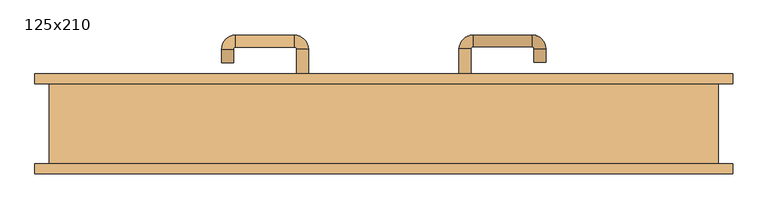
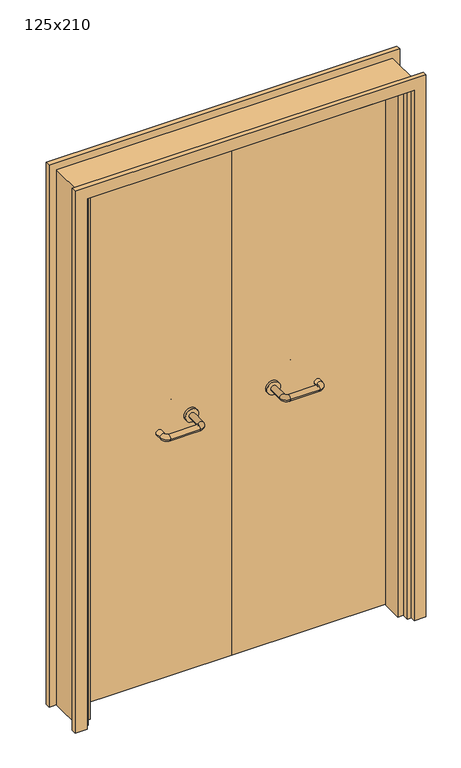
"""IFC4 building model written with IfcOpenShell, lengths in millimetres: door geometry, 125x210."""

from ifc_helpers import new_model, si_unit, point, frame, frame_2d, origin, place, context, project, spatial, polyline, circle_curve, ellipse_curve, trimmed, segment, composite_curve, outline, extrude, faceted_brep, source, transform, mapped, element, save
from ifc_brep_helpers import plane_surface, cylinder_surface, revolved_surface, advanced_brep


def door_125x210_490fca26(model_context):
    return source(origin(), model_context, "Body", "SolidModel", [
        faceted_brep([(-572.0, 28.0, 0.0), (-572.0, -50.0, 0.0), (-593.0, -50.0, 0.0), (-593.0, 28.0, 0.0), (-572.0, 28.0, 2047.0), (-572.0, -50.0, 2047.0), (-593.0, -50.0, 2068.0), (-593.0, 28.0, 2068.0), (572.0, 28.0, 0.0), (593.0, 28.0, 0.0), (593.0, -50.0, 0.0), (572.0, -50.0, 0.0), (572.0, 28.0, 2047.0), (593.0, 28.0, 2068.0), (593.0, -50.0, 2068.0), (572.0, -50.0, 2047.0)], [[[0, 1, 2, 3]], [[1, 0, 4, 5]], [[2, 1, 5, 6]], [[3, 2, 6, 7]], [[0, 3, 7, 4]], [[8, 9, 10, 11]], [[12, 13, 9, 8]], [[13, 14, 10, 9]], [[14, 15, 11, 10]], [[15, 12, 8, 11]], [[5, 4, 12, 15]], [[6, 5, 15, 14]], [[7, 6, 14, 13]], [[4, 7, 13, 12]]]),
        extrude(outline(polyline([(2127.0, 652.0), (2127.0, -652.0), (0.0, -652.0), (0.0, -608.0), (2083.0, -608.0), (2083.0, 608.0), (0.0, 608.0), (0.0, 652.0), (2127.0, 652.0)])), frame((0.0, 75.0, 0.0), z_axis=(0.0, 1.0, 0.0), x_axis=(0.0, 0.0, 1.0)), (0.0, 0.0, 1.0), 18.0),
        extrude(outline(polyline([(2127.0, -652.0), (0.0, -652.0), (0.0, -608.0), (2083.0, -608.0), (2083.0, 608.0), (0.0, 608.0), (0.0, 652.0), (2127.0, 652.0), (2127.0, -652.0)])), frame((0.0, -93.0, 0.0), z_axis=(0.0, 1.0, 0.0), x_axis=(0.0, 0.0, 1.0)), (0.0, 0.0, 1.0), 18.0),
        extrude(outline(polyline([(2100.0, -625.0), (0.0, -625.0), (0.0, -593.0), (2068.0, -593.0), (2068.0, 593.0), (0.0, 593.0), (0.0, 625.0), (2100.0, 625.0), (2100.0, -625.0)])), frame((0.0, -75.0, 0.0), z_axis=(0.0, 1.0, 0.0), x_axis=(0.0, 0.0, 1.0)), (0.0, 0.0, 1.0), 150.0),
        extrude(outline(polyline([(1.0739506, 31.0), (-590.0, 31.0), (-590.0, 75.0), (1.0739506, 75.0), (1.0739506, 31.0)])), frame((0.0, 0.0, 1.753223), z_axis=(0.0, 0.0, 1.0), x_axis=(1.0, 0.0, 0.0)), (0.0, 0.0, 1.0), 2057.246777),
        extrude(outline(polyline([(590.0, 31.0), (1.0739506, 31.0), (1.0739506, 75.0), (590.0, 75.0), (590.0, 31.0)])), frame((0.0, 0.0, 1.753223), z_axis=(0.0, 0.0, 1.0), x_axis=(1.0, 0.0, 0.0)), (0.0, 0.0, 1.0), 2066.246777),
        extrude(outline(polyline([(2100.0, -625.0), (0.0, -625.0), (0.0, -593.0), (2068.0, -593.0), (2068.0, 593.0), (0.0, 593.0), (0.0, 625.0), (2100.0, 625.0), (2100.0, -625.0)])), frame((0.0, -75.0, 0.0), z_axis=(0.0, 1.0, 0.0), x_axis=(0.0, 0.0, 1.0)), (0.0, 0.0, 1.0), 150.0),
        advanced_brep(
        [(140.99898, 21.0, 1003.0), (162.99898, 21.0, 1003.0), (140.99898, -34.3525369, 1003.0), (162.99898, -34.3525369, 1003.0), (166.99898, -38.3525369, 1003.0), (166.99898, -60.3525369, 1003.0), (276.99898, -60.3525369, 1003.0), (276.99898, -38.3525369, 1003.0), (280.99898, -34.3525369, 1003.0), (302.99898, -34.3525369, 1003.0), (302.99898, -17.0, 1003.0), (280.99898, -17.0, 1003.0)],
        [
            (0, 1, circle_curve(frame((151.99898, 21.0, 1003.0), z_axis=(0.0, 1.0, 0.0), x_axis=(1.0, 0.0, 0.0)), 11.0)),
            (1, 0, circle_curve(frame((151.99898, 21.0, 1003.0), z_axis=(0.0, 1.0, 0.0), x_axis=(1.0, 0.0, 0.0)), 11.0)),
            (0, 2),
            (2, 3, circle_curve(frame((151.99898, -34.3525369, 1003.0), z_axis=(0.0, 1.0, 0.0), x_axis=(1.0, 0.0, 0.0)), 11.0)),
            (3, 1),
            (3, 2, circle_curve(frame((151.99898, -34.3525369, 1003.0), z_axis=(0.0, 1.0, 0.0), x_axis=(1.0, 0.0, 0.0)), 11.0)),
            (4, 3, circle_curve(frame((166.99898, -34.3525369, 1003.0), z_axis=(0.0, 0.0, -1.0), x_axis=(-1.0, 0.0, 0.0)), 4.0)),
            (2, 5, circle_curve(frame((166.99898, -34.3525369, 1003.0), z_axis=(0.0, 0.0, 1.0), x_axis=(-1.0, 0.0, 0.0)), 26.0)),
            (5, 4, circle_curve(frame((166.99898, -49.3525369, 1003.0), z_axis=(-1.0, 0.0, 0.0), x_axis=(0.0, 1.0, 0.0)), 11.0)),
            (4, 5, circle_curve(frame((166.99898, -49.3525369, 1003.0), z_axis=(-1.0, 0.0, 0.0), x_axis=(0.0, 1.0, 0.0)), 11.0)),
            (5, 6),
            (6, 7, circle_curve(frame((276.99898, -49.3525369, 1003.0), z_axis=(-1.0, 0.0, 0.0), x_axis=(0.0, 1.0, 0.0)), 11.0)),
            (7, 4),
            (7, 6, circle_curve(frame((276.99898, -49.3525369, 1003.0), z_axis=(-1.0, 0.0, 0.0), x_axis=(0.0, 1.0, 0.0)), 11.0)),
            (8, 7, circle_curve(frame((276.99898, -34.3525369, 1003.0), z_axis=(0.0, 0.0, -1.0), x_axis=(0.0, -1.0, 0.0)), 4.0)),
            (6, 9, circle_curve(frame((276.99898, -34.3525369, 1003.0), z_axis=(0.0, 0.0, 1.0), x_axis=(0.0, -1.0, 0.0)), 26.0)),
            (9, 8, circle_curve(frame((291.99898, -34.3525369, 1003.0), z_axis=(0.0, -1.0, 0.0), x_axis=(-1.0, 0.0, 0.0)), 11.0)),
            (8, 9, circle_curve(frame((291.99898, -34.3525369, 1003.0), z_axis=(0.0, -1.0, 0.0), x_axis=(-1.0, 0.0, 0.0)), 11.0)),
            (10, 11, circle_curve(frame((291.99898, -17.0, 1003.0), z_axis=(0.0, 1.0, 0.0), x_axis=(-1.0, 0.0, 0.0)), 11.0)),
            (11, 10, circle_curve(frame((291.99898, -17.0, 1003.0), z_axis=(0.0, 1.0, 0.0), x_axis=(-1.0, 0.0, 0.0)), 11.0)),
            (9, 10),
            (11, 8),
        ],
        [
            plane_surface(frame((140.99898, 21.0, 1003.0), z_axis=(0.0, 1.0, 0.0), x_axis=(0.0, 0.0, -1.0))),
            cylinder_surface(frame((151.99898, 21.0, 1003.0), z_axis=(0.0, 1.0, 0.0), x_axis=(1.0, 0.0, 0.0)), 11.0),
            revolved_surface(trimmed(ellipse_curve(frame((151.99898, -34.3525369, 1003.0), z_axis=(0.0, 1.0, 0.0), x_axis=(1.0, 0.0, 0.0)), 11.0, 11.0), [point((140.99898, -34.3525369, 1003.0))], [point((162.99898, -34.3525369, 1003.0))], True, "CARTESIAN"), (166.99898, -34.3525369, 1003.0), (0.0, 0.0, 1.0)),
            revolved_surface(trimmed(ellipse_curve(frame((151.99898, -34.3525369, 1003.0), z_axis=(0.0, 1.0, 0.0), x_axis=(1.0, 0.0, 0.0)), 11.0, 11.0), [point((162.99898, -34.3525369, 1003.0))], [point((140.99898, -34.3525369, 1003.0))], True, "CARTESIAN"), (166.99898, -34.3525369, 1003.0), (0.0, 0.0, 1.0)),
            cylinder_surface(frame((166.99898, -49.3525369, 1003.0), z_axis=(-1.0, 0.0, 0.0), x_axis=(0.0, 1.0, 0.0)), 11.0),
            revolved_surface(trimmed(ellipse_curve(frame((276.99898, -49.3525369, 1003.0), z_axis=(-1.0, 0.0, 0.0), x_axis=(0.0, 1.0, 0.0)), 11.0, 11.0), [point((276.99898, -60.3525369, 1003.0))], [point((276.99898, -38.3525369, 1003.0))], True, "CARTESIAN"), (276.99898, -34.3525369, 1003.0), (0.0, 0.0, 1.0)),
            revolved_surface(trimmed(ellipse_curve(frame((276.99898, -49.3525369, 1003.0), z_axis=(-1.0, 0.0, 0.0), x_axis=(0.0, 1.0, 0.0)), 11.0, 11.0), [point((276.99898, -38.3525369, 1003.0))], [point((276.99898, -60.3525369, 1003.0))], True, "CARTESIAN"), (276.99898, -34.3525369, 1003.0), (0.0, 0.0, 1.0)),
            plane_surface(frame((280.99898, -17.0, 1003.0), z_axis=(0.0, 1.0, 0.0), x_axis=(0.0, 0.0, 1.0))),
            cylinder_surface(frame((291.99898, -34.3525369, 1003.0), z_axis=(0.0, -1.0, 0.0), x_axis=(-1.0, 0.0, 0.0)), 11.0),
        ],
        [
            (0, [[1, 2]]),
            (1, [[-1, 3, 4, 5]]),
            (1, [[-2, -5, 6, -3]]),
            (2, [[7, -4, 8, 9]]),
            (3, [[-8, -6, -7, 10]]),
            (4, [[-9, 11, 12, 13]]),
            (4, [[-10, -13, 14, -11]]),
            (5, [[15, -12, 16, 17]]),
            (6, [[-16, -14, -15, 18]]),
            (7, [[19, 20]]),
            (8, [[-17, 21, -20, 22]]),
            (8, [[-18, -22, -19, -21]]),
        ],
    ),
        extrude(outline(composite_curve([segment(trimmed(circle_curve(frame_2d((1003.0, 151.99898)), 25.0), [point((1003.0, 126.99898))], [point((1003.0, 176.99898))], False, "CARTESIAN"), True, "CONTINUOUS"), segment(trimmed(circle_curve(frame_2d((1003.0, 151.99898)), 25.0), [point((1003.0, 176.99898))], [point((1003.0, 126.99898))], False, "CARTESIAN"), True, "CONTINUOUS")], self_intersect=False)), frame((0.0, 21.0, 0.0), z_axis=(0.0, 1.0, 0.0), x_axis=(0.0, 0.0, 1.0)), (0.0, 0.0, 1.0), 10.0),
        advanced_brep(
        [(162.99898, 85.0, 1003.0), (140.99898, 85.0, 1003.0), (162.99898, 140.0, 1003.0), (140.99898, 140.0, 1003.0), (166.99898, 166.0, 1003.0), (166.99898, 144.0, 1003.0), (276.99898, 144.0, 1003.0), (276.99898, 166.0, 1003.0), (302.99898, 140.0, 1003.0), (280.99898, 140.0, 1003.0), (280.99898, 115.0, 1003.0), (302.99898, 115.0, 1003.0)],
        [
            (0, 1, circle_curve(frame((151.99898, 85.0, 1003.0), z_axis=(0.0, -1.0, 0.0), x_axis=(-1.0, 0.0, 0.0)), 11.0)),
            (1, 0, circle_curve(frame((151.99898, 85.0, 1003.0), z_axis=(0.0, -1.0, 0.0), x_axis=(-1.0, 0.0, 0.0)), 11.0)),
            (0, 2),
            (2, 3, circle_curve(frame((151.99898, 140.0, 1003.0), z_axis=(0.0, -1.0, 0.0), x_axis=(-1.0, 0.0, 0.0)), 11.0)),
            (3, 1),
            (3, 2, circle_curve(frame((151.99898, 140.0, 1003.0), z_axis=(0.0, -1.0, 0.0), x_axis=(-1.0, 0.0, 0.0)), 11.0)),
            (4, 3, circle_curve(frame((166.99898, 140.0, 1003.0), z_axis=(0.0, 0.0, 1.0), x_axis=(-1.0, 0.0, 0.0)), 26.0)),
            (2, 5, circle_curve(frame((166.99898, 140.0, 1003.0), z_axis=(0.0, 0.0, -1.0), x_axis=(-1.0, 0.0, 0.0)), 4.0)),
            (5, 4, circle_curve(frame((166.99898, 155.0, 1003.0), z_axis=(-1.0, 0.0, 0.0), x_axis=(0.0, 1.0, 0.0)), 11.0)),
            (4, 5, circle_curve(frame((166.99898, 155.0, 1003.0), z_axis=(-1.0, 0.0, 0.0), x_axis=(0.0, 1.0, 0.0)), 11.0)),
            (5, 6),
            (6, 7, circle_curve(frame((276.99898, 155.0, 1003.0), z_axis=(-1.0, 0.0, 0.0), x_axis=(0.0, 1.0, 0.0)), 11.0)),
            (7, 4),
            (7, 6, circle_curve(frame((276.99898, 155.0, 1003.0), z_axis=(-1.0, 0.0, 0.0), x_axis=(0.0, 1.0, 0.0)), 11.0)),
            (8, 7, circle_curve(frame((276.99898, 140.0, 1003.0), z_axis=(0.0, 0.0, 1.0), x_axis=(0.0, 1.0, 0.0)), 26.0)),
            (6, 9, circle_curve(frame((276.99898, 140.0, 1003.0), z_axis=(0.0, 0.0, -1.0), x_axis=(0.0, 1.0, 0.0)), 4.0)),
            (9, 8, circle_curve(frame((291.99898, 140.0, 1003.0), z_axis=(0.0, 1.0, 0.0), x_axis=(1.0, 0.0, 0.0)), 11.0)),
            (8, 9, circle_curve(frame((291.99898, 140.0, 1003.0), z_axis=(0.0, 1.0, 0.0), x_axis=(1.0, 0.0, 0.0)), 11.0)),
            (10, 11, circle_curve(frame((291.99898, 115.0, 1003.0), z_axis=(0.0, -1.0, 0.0), x_axis=(1.0, 0.0, 0.0)), 11.0)),
            (11, 10, circle_curve(frame((291.99898, 115.0, 1003.0), z_axis=(0.0, -1.0, 0.0), x_axis=(1.0, 0.0, 0.0)), 11.0)),
            (9, 10),
            (11, 8),
        ],
        [
            plane_surface(frame((140.99898, 85.0, 1003.0), z_axis=(0.0, -1.0, 0.0), x_axis=(0.0, 0.0, 1.0))),
            cylinder_surface(frame((151.99898, 85.0, 1003.0), z_axis=(0.0, -1.0, 0.0), x_axis=(-1.0, 0.0, 0.0)), 11.0),
            revolved_surface(trimmed(ellipse_curve(frame((151.99898, 140.0, 1003.0), z_axis=(0.0, -1.0, 0.0), x_axis=(-1.0, 0.0, 0.0)), 11.0, 11.0), [point((162.99898, 140.0, 1003.0))], [point((140.99898, 140.0, 1003.0))], True, "CARTESIAN"), (166.99898, 140.0, 1003.0), (0.0, 0.0, -1.0)),
            revolved_surface(trimmed(ellipse_curve(frame((151.99898, 140.0, 1003.0), z_axis=(0.0, -1.0, 0.0), x_axis=(-1.0, 0.0, 0.0)), 11.0, 11.0), [point((140.99898, 140.0, 1003.0))], [point((162.99898, 140.0, 1003.0))], True, "CARTESIAN"), (166.99898, 140.0, 1003.0), (0.0, 0.0, -1.0)),
            cylinder_surface(frame((166.99898, 155.0, 1003.0), z_axis=(-1.0, 0.0, 0.0), x_axis=(0.0, 1.0, 0.0)), 11.0),
            revolved_surface(trimmed(ellipse_curve(frame((276.99898, 155.0, 1003.0), z_axis=(-1.0, 0.0, 0.0), x_axis=(0.0, 1.0, 0.0)), 11.0, 11.0), [point((276.99898, 144.0, 1003.0))], [point((276.99898, 166.0, 1003.0))], True, "CARTESIAN"), (276.99898, 140.0, 1003.0), (0.0, 0.0, -1.0)),
            revolved_surface(trimmed(ellipse_curve(frame((276.99898, 155.0, 1003.0), z_axis=(-1.0, 0.0, 0.0), x_axis=(0.0, 1.0, 0.0)), 11.0, 11.0), [point((276.99898, 166.0, 1003.0))], [point((276.99898, 144.0, 1003.0))], True, "CARTESIAN"), (276.99898, 140.0, 1003.0), (0.0, 0.0, -1.0)),
            plane_surface(frame((280.99898, 115.0, 1003.0), z_axis=(0.0, -1.0, 0.0), x_axis=(0.0, 0.0, -1.0))),
            cylinder_surface(frame((291.99898, 140.0, 1003.0), z_axis=(0.0, 1.0, 0.0), x_axis=(1.0, 0.0, 0.0)), 11.0),
        ],
        [
            (0, [[1, 2]]),
            (1, [[-1, 3, 4, 5]]),
            (1, [[-2, -5, 6, -3]]),
            (2, [[7, -4, 8, 9]]),
            (3, [[-8, -6, -7, 10]]),
            (4, [[-9, 11, 12, 13]]),
            (4, [[-10, -13, 14, -11]]),
            (5, [[15, -12, 16, 17]]),
            (6, [[-16, -14, -15, 18]]),
            (7, [[19, 20]]),
            (8, [[-17, 21, -20, 22]]),
            (8, [[-18, -22, -19, -21]]),
        ],
    ),
        extrude(outline(composite_curve([segment(trimmed(circle_curve(frame_2d((1003.0, 151.99898)), 25.0), [point((1003.0, 176.99898))], [point((1003.0, 126.99898))], False, "CARTESIAN"), True, "CONTINUOUS"), segment(trimmed(circle_curve(frame_2d((1003.0, 151.99898)), 25.0), [point((1003.0, 126.99898))], [point((1003.0, 176.99898))], False, "CARTESIAN"), True, "CONTINUOUS")], self_intersect=False)), frame((0.0, 75.0, 0.0), z_axis=(0.0, 1.0, 0.0), x_axis=(0.0, 0.0, 1.0)), (0.0, 0.0, 1.0), 10.0),
        advanced_brep(
        [(-162.99898, 20.6886121, 1003.0), (-140.99898, 20.6886121, 1003.0), (-162.99898, -34.7220447, 1003.0), (-140.99898, -34.7220447, 1003.0), (-166.99898, -60.7220447, 1003.0), (-166.99898, -38.7220447, 1003.0), (-276.99898, -38.7220447, 1003.0), (-276.99898, -60.7220447, 1003.0), (-302.99898, -34.7220447, 1003.0), (-280.99898, -34.7220447, 1003.0), (-280.99898, -9.7220447, 1003.0), (-302.99898, -9.7220447, 1003.0)],
        [
            (0, 1, circle_curve(frame((-151.99898, 20.6886121, 1003.0), z_axis=(0.0, 1.0, 0.0), x_axis=(1.0, 0.0, 0.0)), 11.0)),
            (1, 0, circle_curve(frame((-151.99898, 20.6886121, 1003.0), z_axis=(0.0, 1.0, 0.0), x_axis=(1.0, 0.0, 0.0)), 11.0)),
            (0, 2),
            (2, 3, circle_curve(frame((-151.99898, -34.7220447, 1003.0), z_axis=(0.0, 1.0, 0.0), x_axis=(1.0, 0.0, 0.0)), 11.0)),
            (3, 1),
            (3, 2, circle_curve(frame((-151.99898, -34.7220447, 1003.0), z_axis=(0.0, 1.0, 0.0), x_axis=(1.0, 0.0, 0.0)), 11.0)),
            (4, 3, circle_curve(frame((-166.99898, -34.7220447, 1003.0), z_axis=(0.0, 0.0, 1.0), x_axis=(1.0, 0.0, 0.0)), 26.0)),
            (2, 5, circle_curve(frame((-166.99898, -34.7220447, 1003.0), z_axis=(0.0, 0.0, -1.0), x_axis=(1.0, 0.0, 0.0)), 4.0)),
            (5, 4, circle_curve(frame((-166.99898, -49.7220447, 1003.0), z_axis=(1.0, 0.0, 0.0), x_axis=(0.0, -1.0, 0.0)), 11.0)),
            (4, 5, circle_curve(frame((-166.99898, -49.7220447, 1003.0), z_axis=(1.0, 0.0, 0.0), x_axis=(0.0, -1.0, 0.0)), 11.0)),
            (5, 6),
            (6, 7, circle_curve(frame((-276.99898, -49.7220447, 1003.0), z_axis=(1.0, 0.0, 0.0), x_axis=(0.0, -1.0, 0.0)), 11.0)),
            (7, 4),
            (7, 6, circle_curve(frame((-276.99898, -49.7220447, 1003.0), z_axis=(1.0, 0.0, 0.0), x_axis=(0.0, -1.0, 0.0)), 11.0)),
            (8, 7, circle_curve(frame((-276.99898, -34.7220447, 1003.0), z_axis=(0.0, 0.0, 1.0), x_axis=(0.0, -1.0, 0.0)), 26.0)),
            (6, 9, circle_curve(frame((-276.99898, -34.7220447, 1003.0), z_axis=(0.0, 0.0, -1.0), x_axis=(0.0, -1.0, 0.0)), 4.0)),
            (9, 8, circle_curve(frame((-291.99898, -34.7220447, 1003.0), z_axis=(0.0, -1.0, 0.0), x_axis=(-1.0, 0.0, 0.0)), 11.0)),
            (8, 9, circle_curve(frame((-291.99898, -34.7220447, 1003.0), z_axis=(0.0, -1.0, 0.0), x_axis=(-1.0, 0.0, 0.0)), 11.0)),
            (10, 11, circle_curve(frame((-291.99898, -9.7220447, 1003.0), z_axis=(0.0, 1.0, 0.0), x_axis=(-1.0, 0.0, 0.0)), 11.0)),
            (11, 10, circle_curve(frame((-291.99898, -9.7220447, 1003.0), z_axis=(0.0, 1.0, 0.0), x_axis=(-1.0, 0.0, 0.0)), 11.0)),
            (9, 10),
            (11, 8),
        ],
        [
            plane_surface(frame((-162.99898, 20.6886121, 1003.0), z_axis=(0.0, 1.0, 0.0), x_axis=(0.0, 0.0, -1.0))),
            cylinder_surface(frame((-151.99898, 20.6886121, 1003.0), z_axis=(0.0, 1.0, 0.0), x_axis=(1.0, 0.0, 0.0)), 11.0),
            revolved_surface(trimmed(ellipse_curve(frame((-151.99898, -34.7220447, 1003.0), z_axis=(0.0, 1.0, 0.0), x_axis=(1.0, 0.0, 0.0)), 11.0, 11.0), [point((-162.99898, -34.7220447, 1003.0))], [point((-140.99898, -34.7220447, 1003.0))], True, "CARTESIAN"), (-166.99898, -34.7220447, 1003.0), (0.0, 0.0, -1.0)),
            revolved_surface(trimmed(ellipse_curve(frame((-151.99898, -34.7220447, 1003.0), z_axis=(0.0, 1.0, 0.0), x_axis=(1.0, 0.0, 0.0)), 11.0, 11.0), [point((-140.99898, -34.7220447, 1003.0))], [point((-162.99898, -34.7220447, 1003.0))], True, "CARTESIAN"), (-166.99898, -34.7220447, 1003.0), (0.0, 0.0, -1.0)),
            cylinder_surface(frame((-166.99898, -49.7220447, 1003.0), z_axis=(1.0, 0.0, 0.0), x_axis=(0.0, -1.0, 0.0)), 11.0),
            revolved_surface(trimmed(ellipse_curve(frame((-276.99898, -49.7220447, 1003.0), z_axis=(1.0, 0.0, 0.0), x_axis=(0.0, -1.0, 0.0)), 11.0, 11.0), [point((-276.99898, -38.7220447, 1003.0))], [point((-276.99898, -60.7220447, 1003.0))], True, "CARTESIAN"), (-276.99898, -34.7220447, 1003.0), (0.0, 0.0, -1.0)),
            revolved_surface(trimmed(ellipse_curve(frame((-276.99898, -49.7220447, 1003.0), z_axis=(1.0, 0.0, 0.0), x_axis=(0.0, -1.0, 0.0)), 11.0, 11.0), [point((-276.99898, -60.7220447, 1003.0))], [point((-276.99898, -38.7220447, 1003.0))], True, "CARTESIAN"), (-276.99898, -34.7220447, 1003.0), (0.0, 0.0, -1.0)),
            plane_surface(frame((-302.99898, -9.7220447, 1003.0), z_axis=(0.0, 1.0, 0.0), x_axis=(0.0, 0.0, 1.0))),
            cylinder_surface(frame((-291.99898, -34.7220447, 1003.0), z_axis=(0.0, -1.0, 0.0), x_axis=(-1.0, 0.0, 0.0)), 11.0),
        ],
        [
            (0, [[1, 2]]),
            (1, [[-1, 3, 4, 5]]),
            (1, [[-2, -5, 6, -3]]),
            (2, [[7, -4, 8, 9]]),
            (3, [[-8, -6, -7, 10]]),
            (4, [[-9, 11, 12, 13]]),
            (4, [[-10, -13, 14, -11]]),
            (5, [[15, -12, 16, 17]]),
            (6, [[-16, -14, -15, 18]]),
            (7, [[19, 20]]),
            (8, [[-17, 21, -20, 22]]),
            (8, [[-18, -22, -19, -21]]),
        ],
    ),
        extrude(outline(composite_curve([segment(trimmed(circle_curve(frame_2d((1003.0, -151.99898)), 25.0), [point((1003.0, -176.99898))], [point((1003.0, -126.99898))], False, "CARTESIAN"), True, "CONTINUOUS"), segment(trimmed(circle_curve(frame_2d((1003.0, -151.99898)), 25.0), [point((1003.0, -126.99898))], [point((1003.0, -176.99898))], False, "CARTESIAN"), True, "CONTINUOUS")], self_intersect=False)), frame((0.0, 20.6886121, 0.0), z_axis=(0.0, 1.0, 0.0), x_axis=(0.0, 0.0, 1.0)), (0.0, 0.0, 1.0), 10.3113879),
        advanced_brep(
        [(-140.99898, 84.5143417, 1003.0), (-162.99898, 84.5143417, 1003.0), (-140.99898, 139.6104656, 1003.0), (-162.99898, 139.6104656, 1003.0), (-166.99898, 143.6104656, 1003.0), (-166.99898, 165.6104656, 1003.0), (-276.99898, 165.6104656, 1003.0), (-276.99898, 143.6104656, 1003.0), (-280.99898, 139.6104656, 1003.0), (-302.99898, 139.6104656, 1003.0), (-302.99898, 114.6104656, 1003.0), (-280.99898, 114.6104656, 1003.0)],
        [
            (0, 1, circle_curve(frame((-151.99898, 84.5143417, 1003.0), z_axis=(0.0, -1.0, 0.0), x_axis=(-1.0, 0.0, 0.0)), 11.0)),
            (1, 0, circle_curve(frame((-151.99898, 84.5143417, 1003.0), z_axis=(0.0, -1.0, 0.0), x_axis=(-1.0, 0.0, 0.0)), 11.0)),
            (0, 2),
            (2, 3, circle_curve(frame((-151.99898, 139.6104656, 1003.0), z_axis=(0.0, -1.0, 0.0), x_axis=(-1.0, 0.0, 0.0)), 11.0)),
            (3, 1),
            (3, 2, circle_curve(frame((-151.99898, 139.6104656, 1003.0), z_axis=(0.0, -1.0, 0.0), x_axis=(-1.0, 0.0, 0.0)), 11.0)),
            (4, 3, circle_curve(frame((-166.99898, 139.6104656, 1003.0), z_axis=(0.0, 0.0, -1.0), x_axis=(1.0, 0.0, 0.0)), 4.0)),
            (2, 5, circle_curve(frame((-166.99898, 139.6104656, 1003.0), z_axis=(0.0, 0.0, 1.0), x_axis=(1.0, 0.0, 0.0)), 26.0)),
            (5, 4, circle_curve(frame((-166.99898, 154.6104656, 1003.0), z_axis=(1.0, 0.0, 0.0), x_axis=(0.0, -1.0, 0.0)), 11.0)),
            (4, 5, circle_curve(frame((-166.99898, 154.6104656, 1003.0), z_axis=(1.0, 0.0, 0.0), x_axis=(0.0, -1.0, 0.0)), 11.0)),
            (5, 6),
            (6, 7, circle_curve(frame((-276.99898, 154.6104656, 1003.0), z_axis=(1.0, 0.0, 0.0), x_axis=(0.0, -1.0, 0.0)), 11.0)),
            (7, 4),
            (7, 6, circle_curve(frame((-276.99898, 154.6104656, 1003.0), z_axis=(1.0, 0.0, 0.0), x_axis=(0.0, -1.0, 0.0)), 11.0)),
            (8, 7, circle_curve(frame((-276.99898, 139.6104656, 1003.0), z_axis=(0.0, 0.0, -1.0), x_axis=(0.0, 1.0, 0.0)), 4.0)),
            (6, 9, circle_curve(frame((-276.99898, 139.6104656, 1003.0), z_axis=(0.0, 0.0, 1.0), x_axis=(0.0, 1.0, 0.0)), 26.0)),
            (9, 8, circle_curve(frame((-291.99898, 139.6104656, 1003.0), z_axis=(0.0, 1.0, 0.0), x_axis=(1.0, 0.0, 0.0)), 11.0)),
            (8, 9, circle_curve(frame((-291.99898, 139.6104656, 1003.0), z_axis=(0.0, 1.0, 0.0), x_axis=(1.0, 0.0, 0.0)), 11.0)),
            (10, 11, circle_curve(frame((-291.99898, 114.6104656, 1003.0), z_axis=(0.0, -1.0, 0.0), x_axis=(1.0, 0.0, 0.0)), 11.0)),
            (11, 10, circle_curve(frame((-291.99898, 114.6104656, 1003.0), z_axis=(0.0, -1.0, 0.0), x_axis=(1.0, 0.0, 0.0)), 11.0)),
            (9, 10),
            (11, 8),
        ],
        [
            plane_surface(frame((-162.99898, 84.5143417, 1003.0), z_axis=(0.0, -1.0, 0.0), x_axis=(0.0, 0.0, 1.0))),
            cylinder_surface(frame((-151.99898, 84.5143417, 1003.0), z_axis=(0.0, -1.0, 0.0), x_axis=(-1.0, 0.0, 0.0)), 11.0),
            revolved_surface(trimmed(ellipse_curve(frame((-151.99898, 139.6104656, 1003.0), z_axis=(0.0, -1.0, 0.0), x_axis=(-1.0, 0.0, 0.0)), 11.0, 11.0), [point((-140.99898, 139.6104656, 1003.0))], [point((-162.99898, 139.6104656, 1003.0))], True, "CARTESIAN"), (-166.99898, 139.6104656, 1003.0), (0.0, 0.0, 1.0)),
            revolved_surface(trimmed(ellipse_curve(frame((-151.99898, 139.6104656, 1003.0), z_axis=(0.0, -1.0, 0.0), x_axis=(-1.0, 0.0, 0.0)), 11.0, 11.0), [point((-162.99898, 139.6104656, 1003.0))], [point((-140.99898, 139.6104656, 1003.0))], True, "CARTESIAN"), (-166.99898, 139.6104656, 1003.0), (0.0, 0.0, 1.0)),
            cylinder_surface(frame((-166.99898, 154.6104656, 1003.0), z_axis=(1.0, 0.0, 0.0), x_axis=(0.0, -1.0, 0.0)), 11.0),
            revolved_surface(trimmed(ellipse_curve(frame((-276.99898, 154.6104656, 1003.0), z_axis=(1.0, 0.0, 0.0), x_axis=(0.0, -1.0, 0.0)), 11.0, 11.0), [point((-276.99898, 165.6104656, 1003.0))], [point((-276.99898, 143.6104656, 1003.0))], True, "CARTESIAN"), (-276.99898, 139.6104656, 1003.0), (0.0, 0.0, 1.0)),
            revolved_surface(trimmed(ellipse_curve(frame((-276.99898, 154.6104656, 1003.0), z_axis=(1.0, 0.0, 0.0), x_axis=(0.0, -1.0, 0.0)), 11.0, 11.0), [point((-276.99898, 143.6104656, 1003.0))], [point((-276.99898, 165.6104656, 1003.0))], True, "CARTESIAN"), (-276.99898, 139.6104656, 1003.0), (0.0, 0.0, 1.0)),
            plane_surface(frame((-302.99898, 114.6104656, 1003.0), z_axis=(0.0, -1.0, 0.0), x_axis=(0.0, 0.0, -1.0))),
            cylinder_surface(frame((-291.99898, 139.6104656, 1003.0), z_axis=(0.0, 1.0, 0.0), x_axis=(1.0, 0.0, 0.0)), 11.0),
        ],
        [
            (0, [[1, 2]]),
            (1, [[-1, 3, 4, 5]]),
            (1, [[-2, -5, 6, -3]]),
            (2, [[7, -4, 8, 9]]),
            (3, [[-8, -6, -7, 10]]),
            (4, [[-9, 11, 12, 13]]),
            (4, [[-10, -13, 14, -11]]),
            (5, [[15, -12, 16, 17]]),
            (6, [[-16, -14, -15, 18]]),
            (7, [[19, 20]]),
            (8, [[-17, 21, -20, 22]]),
            (8, [[-18, -22, -19, -21]]),
        ],
    ),
        extrude(outline(composite_curve([segment(trimmed(circle_curve(frame_2d((1003.0, -151.99898)), 25.0), [point((1003.0, -126.99898))], [point((1003.0, -176.99898))], False, "CARTESIAN"), True, "CONTINUOUS"), segment(trimmed(circle_curve(frame_2d((1003.0, -151.99898)), 25.0), [point((1003.0, -176.99898))], [point((1003.0, -126.99898))], False, "CARTESIAN"), True, "CONTINUOUS")], self_intersect=False)), frame((0.0, 75.0, 0.0), z_axis=(0.0, 1.0, 0.0), x_axis=(0.0, 0.0, 1.0)), (0.0, 0.0, 1.0), 9.5143417),
    ])


if __name__ == "__main__":
    model = new_model("IFC4")
    model_context = context("Model", 3, world=origin())
    ifc_project = project(units=[si_unit("LENGTHUNIT", "METRE", prefix="MILLI")], contexts=[model_context])
    site = spatial("IfcSite", under=ifc_project)
    building = spatial("IfcBuilding", under=site)
    placement = place(None, origin())
    door_125x210_shape = door_125x210_490fca26(model_context)
    element("IfcDoor", 1, ObjectType="125x210", at=placement, inside=building, context=model_context, shape_type="MappedRepresentation", body=[
        mapped(door_125x210_shape, transform((0.0, 0.0, 0.0), x_axis=(1.0, 0.0, 0.0), y_axis=(0.0, 1.0, 0.0), z_axis=(0.0, 0.0, 1.0))),
    ])
    save(model, "model.ifc")
